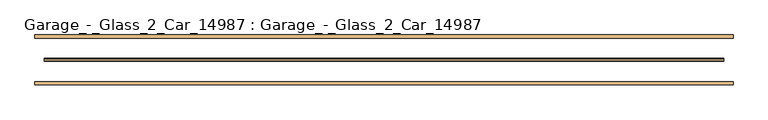
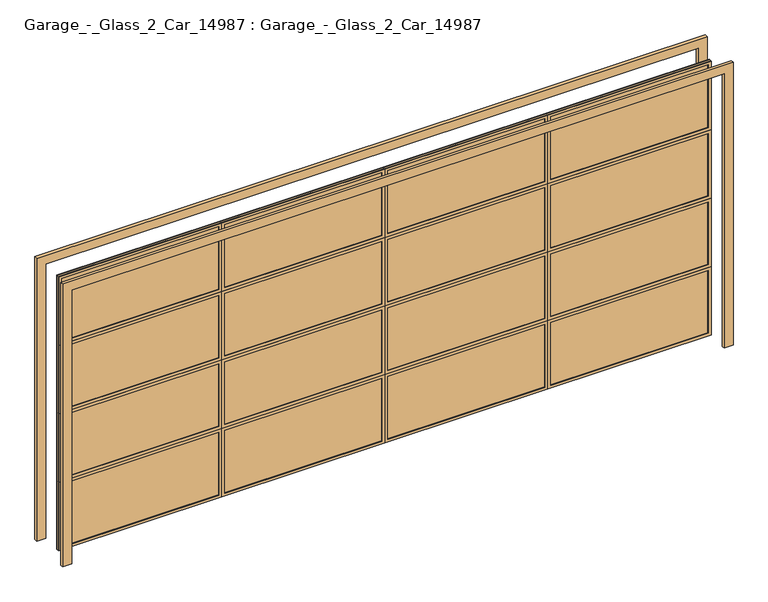
"""IFC4 building model written with IfcOpenShell, lengths in millimetres: door geometry, Garage_-_Glass_2_Car_14987 : Garage_-_Glass_2_Car_14987."""

from ifc_helpers import new_model, si_unit, frame, origin, origin_with_axes, place, context, project, spatial, polyline, outline, extrude, source, transform, mapped, element, save


def garage_glass_2_car_14987_garage_glass_2_car_14987_b22b93e3(model_context):
    return source(origin(), model_context, "Body", "SweptSolid", [
        extrude(outline(polyline([(2438.4, -2743.2), (2438.4, 2743.2), (0.0, 2743.2), (0.0, 2819.4), (2514.6, 2819.4), (2514.6, -2819.4), (0.0, -2819.4), (0.0, -2743.2), (2438.4, -2743.2)])), frame((0.0, -201.6125, 0.0), z_axis=(0.0, 1.0, 0.0), x_axis=(0.0, 0.0, 1.0)), (0.0, 0.0, 1.0), 25.4),
        extrude(outline(polyline([(2438.4, -2743.2), (2438.4, 2743.2), (0.0, 2743.2), (0.0, 2819.4), (2514.6, 2819.4), (2514.6, -2819.4), (0.0, -2819.4), (0.0, -2743.2), (2438.4, -2743.2)])), frame((0.0, 176.2125, 0.0), z_axis=(0.0, 1.0, 0.0), x_axis=(0.0, 0.0, 1.0)), (0.0, 0.0, 1.0), 25.4),
        extrude(outline(polyline([(2743.2, -6.35), (-2743.2, -6.35), (-2743.2, 6.35), (2743.2, 6.35), (2743.2, -6.35)])), origin_with_axes(), (0.0, 0.0, 1.0), 2438.4),
        extrude(outline(polyline([(2438.4, 0.0), (2438.4, -1371.6), (1828.8, -1371.6), (1828.8, 0.0), (2438.4, 0.0)]), holes=[polyline([(2413.0, -25.4), (1854.2, -25.4), (1854.2, -1346.2), (2413.0, -1346.2), (2413.0, -25.4)])]), frame((0.0, -12.7, 0.0), z_axis=(0.0, 1.0, 0.0), x_axis=(0.0, 0.0, 1.0)), (0.0, 0.0, 1.0), 25.4),
        extrude(outline(polyline([(2438.4, 2743.2), (2438.4, 1371.6), (1828.8, 1371.6), (1828.8, 2743.2), (2438.4, 2743.2)]), holes=[polyline([(2413.0, 2717.8), (1854.2, 2717.8), (1854.2, 1397.0), (2413.0, 1397.0), (2413.0, 2717.8)])]), frame((0.0, -12.7, 0.0), z_axis=(0.0, 1.0, 0.0), x_axis=(0.0, 0.0, 1.0)), (0.0, 0.0, 1.0), 25.4),
        extrude(outline(polyline([(1219.2, 0.0), (1219.2, -1371.6), (609.6, -1371.6), (609.6, 0.0), (1219.2, 0.0)]), holes=[polyline([(1193.8, -25.4), (635.0, -25.4), (635.0, -1346.2), (1193.8, -1346.2), (1193.8, -25.4)])]), frame((0.0, -12.7, 0.0), z_axis=(0.0, 1.0, 0.0), x_axis=(0.0, 0.0, 1.0)), (0.0, 0.0, 1.0), 25.4),
        extrude(outline(polyline([(1219.2, 2743.2), (1219.2, 1371.6), (609.6, 1371.6), (609.6, 2743.2), (1219.2, 2743.2)]), holes=[polyline([(1193.8, 2717.8), (635.0, 2717.8), (635.0, 1397.0), (1193.8, 1397.0), (1193.8, 2717.8)])]), frame((0.0, -12.7, 0.0), z_axis=(0.0, 1.0, 0.0), x_axis=(0.0, 0.0, 1.0)), (0.0, 0.0, 1.0), 25.4),
        extrude(outline(polyline([(1219.2, 1371.6), (1219.2, 0.0), (609.6, 0.0), (609.6, 1371.6), (1219.2, 1371.6)]), holes=[polyline([(1193.8, 1346.2), (635.0, 1346.2), (635.0, 25.4), (1193.8, 25.4), (1193.8, 1346.2)])]), frame((0.0, -12.7, 0.0), z_axis=(0.0, 1.0, 0.0), x_axis=(0.0, 0.0, 1.0)), (0.0, 0.0, 1.0), 25.4),
        extrude(outline(polyline([(2438.4, -2743.2), (1828.8, -2743.2), (1828.8, -1371.6), (2438.4, -1371.6), (2438.4, -2743.2)]), holes=[polyline([(2413.0, -1397.0), (1854.2, -1397.0), (1854.2, -2717.8), (2413.0, -2717.8), (2413.0, -1397.0)])]), frame((0.0, -12.7, 0.0), z_axis=(0.0, 1.0, 0.0), x_axis=(0.0, 0.0, 1.0)), (0.0, 0.0, 1.0), 25.4),
        extrude(outline(polyline([(1219.2, -2743.2), (609.6, -2743.2), (609.6, -1371.6), (1219.2, -1371.6), (1219.2, -2743.2)]), holes=[polyline([(1193.8, -2717.8), (1193.8, -1397.0), (635.0, -1397.0), (635.0, -2717.8), (1193.8, -2717.8)])]), frame((0.0, -12.7, 0.0), z_axis=(0.0, 1.0, 0.0), x_axis=(0.0, 0.0, 1.0)), (0.0, 0.0, 1.0), 25.4),
        extrude(outline(polyline([(1828.8, 1371.6), (2438.4, 1371.6), (2438.4, 0.0), (1828.8, 0.0), (1828.8, 1371.6)]), holes=[polyline([(1854.2, 1346.2), (1854.2, 25.4), (2413.0, 25.4), (2413.0, 1346.2), (1854.2, 1346.2)])]), frame((0.0, -12.7, 0.0), z_axis=(0.0, 1.0, 0.0), x_axis=(0.0, 0.0, 1.0)), (0.0, 0.0, 1.0), 25.4),
        extrude(outline(polyline([(0.0, 0.0), (609.6, 0.0), (609.6, -1371.6), (0.0, -1371.6), (0.0, 0.0)]), holes=[polyline([(584.2, -25.4), (25.4, -25.4), (25.4, -1346.2), (584.2, -1346.2), (584.2, -25.4)])]), frame((0.0, -12.7, 0.0), z_axis=(0.0, 1.0, 0.0), x_axis=(0.0, 0.0, 1.0)), (0.0, 0.0, 1.0), 25.4),
        extrude(outline(polyline([(0.0, 2743.2), (609.6, 2743.2), (609.6, 1371.6), (0.0, 1371.6), (0.0, 2743.2)]), holes=[polyline([(584.2, 2717.8), (25.4, 2717.8), (25.4, 1397.0), (584.2, 1397.0), (584.2, 2717.8)])]), frame((0.0, -12.7, 0.0), z_axis=(0.0, 1.0, 0.0), x_axis=(0.0, 0.0, 1.0)), (0.0, 0.0, 1.0), 25.4),
        extrude(outline(polyline([(1828.8, 0.0), (1828.8, -1371.6), (1219.2, -1371.6), (1219.2, 0.0), (1828.8, 0.0)]), holes=[polyline([(1803.4, -25.4), (1244.6, -25.4), (1244.6, -1346.2), (1803.4, -1346.2), (1803.4, -25.4)])]), frame((0.0, -12.7, 0.0), z_axis=(0.0, 1.0, 0.0), x_axis=(0.0, 0.0, 1.0)), (0.0, 0.0, 1.0), 25.4),
        extrude(outline(polyline([(1828.8, 1371.6), (1219.2, 1371.6), (1219.2, 2743.2), (1828.8, 2743.2), (1828.8, 1371.6)]), holes=[polyline([(1803.4, 2717.8), (1244.6, 2717.8), (1244.6, 1397.0), (1803.4, 1397.0), (1803.4, 2717.8)])]), frame((0.0, -12.7, 0.0), z_axis=(0.0, 1.0, 0.0), x_axis=(0.0, 0.0, 1.0)), (0.0, 0.0, 1.0), 25.4),
        extrude(outline(polyline([(609.6, -1371.6), (609.6, -2743.2), (0.0, -2743.2), (0.0, -1371.6), (609.6, -1371.6)]), holes=[polyline([(584.2, -1397.0), (25.4, -1397.0), (25.4, -2717.8), (584.2, -2717.8), (584.2, -1397.0)])]), frame((0.0, -12.7, 0.0), z_axis=(0.0, 1.0, 0.0), x_axis=(0.0, 0.0, 1.0)), (0.0, 0.0, 1.0), 25.4),
        extrude(outline(polyline([(609.6, 1371.6), (609.6, 0.0), (0.0, 0.0), (0.0, 1371.6), (609.6, 1371.6)]), holes=[polyline([(584.2, 1346.2), (25.4, 1346.2), (25.4, 25.4), (584.2, 25.4), (584.2, 1346.2)])]), frame((0.0, -12.7, 0.0), z_axis=(0.0, 1.0, 0.0), x_axis=(0.0, 0.0, 1.0)), (0.0, 0.0, 1.0), 25.4),
        extrude(outline(polyline([(1828.8, -1371.6), (1828.8, -2743.2), (1219.2, -2743.2), (1219.2, -1371.6), (1828.8, -1371.6)]), holes=[polyline([(1803.4, -1397.0), (1244.6, -1397.0), (1244.6, -2717.8), (1803.4, -2717.8), (1803.4, -1397.0)])]), frame((0.0, -12.7, 0.0), z_axis=(0.0, 1.0, 0.0), x_axis=(0.0, 0.0, 1.0)), (0.0, 0.0, 1.0), 25.4),
        extrude(outline(polyline([(1828.8, 1371.6), (1828.8, 0.0), (1219.2, 0.0), (1219.2, 1371.6), (1828.8, 1371.6)]), holes=[polyline([(1803.4, 1346.2), (1244.6, 1346.2), (1244.6, 25.4), (1803.4, 25.4), (1803.4, 1346.2)])]), frame((0.0, -12.7, 0.0), z_axis=(0.0, 1.0, 0.0), x_axis=(0.0, 0.0, 1.0)), (0.0, 0.0, 1.0), 25.4),
    ])


if __name__ == "__main__":
    model = new_model("IFC4")
    model_context = context("Model", 3, world=origin())
    ifc_project = project(units=[si_unit("LENGTHUNIT", "METRE", prefix="MILLI")], contexts=[model_context])
    site = spatial("IfcSite", under=ifc_project)
    building = spatial("IfcBuilding", under=site)
    placement = place(None, origin())
    garage_glass_2_car_14987_garage_glass_2_car_14987_shape = garage_glass_2_car_14987_garage_glass_2_car_14987_b22b93e3(model_context)
    element("IfcDoor", 1, ObjectType="Garage_-_Glass_2_Car_14987 : Garage_-_Glass_2_Car_14987", at=placement, inside=building, context=model_context, shape_type="MappedRepresentation", body=[
        mapped(garage_glass_2_car_14987_garage_glass_2_car_14987_shape, transform((0.0, 0.0, 0.0), x_axis=(1.0, 0.0, 0.0), y_axis=(0.0, 1.0, 0.0), z_axis=(0.0, 0.0, 1.0))),
    ])
    save(model, "model.ifc")
